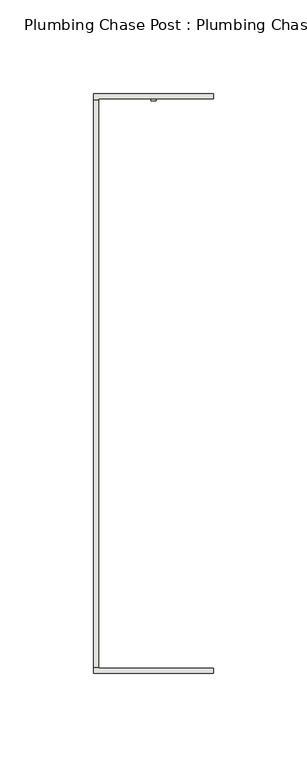
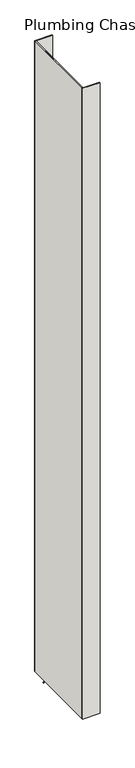
"""IFC4 building model written with IfcOpenShell, lengths in millimetres: wall geometry, Plumbing Chase Post : Plumbing Chase Post."""

from ifc_helpers import new_model, si_unit, frame, origin, place, context, project, spatial, polyline, outline, extrude, source, transform, mapped, element, save


def plumbing_chase_post_plumbing_chase_post_0b9848fa(model_context):
    return source(origin(), model_context, "Body", "SweptSolid", [
        extrude(outline(polyline([(66349.282211, -45059.0307352), (66349.282211, -45061.5707352), (66346.742211, -45061.5707352), (66346.742211, -45059.0307352), (66349.282211, -45059.0307352)])), frame((0.0, 0.0, 4419.6), z_axis=(0.0, 0.0, 1.0), x_axis=(1.0, 0.0, 0.0)), (0.0, 0.0, 1.0), 2.54),
        extrude(outline(polyline([(66315.9955618, -45364.2976888), (66315.9955618, -45061.7331936), (66318.6620538, -45061.7331936), (66318.6620538, -45364.2976888), (66315.9955618, -45364.2976888)])), frame((0.0, 0.0, 4474.8958), z_axis=(0.0, 0.0, 1.0), x_axis=(1.0, 0.0, 0.0)), (0.0, 0.0, 1.0), 2481.1482254),
        extrude(outline(polyline([(66315.9955618, -45364.2976888), (66315.9955618, -45061.7331936), (66318.6620538, -45061.7331936), (66318.6620538, -45364.2976888), (66315.9955618, -45364.2976888)])), frame((0.0, 0.0, 4474.8958), z_axis=(0.0, 0.0, 1.0), x_axis=(1.0, 0.0, 0.0)), (0.0, 0.0, 1.0), 2481.1482254),
        extrude(outline(polyline([(66315.9955618, -45367.7517332), (66315.9955618, -45234.4017332), (66318.6620538, -45234.4017332), (66318.6620538, -45365.0852412), (66380.0040444, -45365.0852412), (66380.0040444, -45367.7517332), (66315.9955618, -45367.7517332)])), frame((0.0, 0.0, 4474.8958), z_axis=(0.0, 0.0, 1.0), x_axis=(1.0, 0.0, 0.0)), (0.0, 0.0, 1.0), 2481.1482254),
        extrude(outline(polyline([(66315.9955618, -45367.7517332), (66315.9955618, -45234.4017332), (66318.6620538, -45234.4017332), (66318.6620538, -45365.0852412), (66380.0040444, -45365.0852412), (66380.0040444, -45367.7517332), (66315.9955618, -45367.7517332)])), frame((0.0, 0.0, 4474.8958), z_axis=(0.0, 0.0, 1.0), x_axis=(1.0, 0.0, 0.0)), (0.0, 0.0, 1.0), 2481.1482254),
        extrude(outline(polyline([(66318.6620538, -45191.6291492), (66315.9955618, -45191.6291492), (66315.9955618, -45058.2791492), (66380.0040444, -45058.2791492), (66380.0040444, -45060.9456666), (66318.6620538, -45060.9456666), (66318.6620538, -45191.6291492)])), frame((0.0, 0.0, 4474.8958), z_axis=(0.0, 0.0, 1.0), x_axis=(1.0, 0.0, 0.0)), (0.0, 0.0, 1.0), 2481.1482254),
        extrude(outline(polyline([(66318.6620538, -45191.6291492), (66315.9955618, -45191.6291492), (66315.9955618, -45058.2791492), (66380.0040444, -45058.2791492), (66380.0040444, -45060.9456666), (66318.6620538, -45060.9456666), (66318.6620538, -45191.6291492)])), frame((0.0, 0.0, 4474.8958), z_axis=(0.0, 0.0, 1.0), x_axis=(1.0, 0.0, 0.0)), (0.0, 0.0, 1.0), 2481.1482254),
    ])


if __name__ == "__main__":
    model = new_model("IFC4")
    model_context = context("Model", 3, world=origin())
    ifc_project = project(units=[si_unit("LENGTHUNIT", "METRE", prefix="MILLI")], contexts=[model_context])
    site = spatial("IfcSite", under=ifc_project)
    building = spatial("IfcBuilding", under=site)
    placement = place(None, origin())
    plumbing_chase_post_plumbing_chase_post_shape = plumbing_chase_post_plumbing_chase_post_0b9848fa(model_context)
    element("IfcWall", 1, ObjectType="Plumbing Chase Post : Plumbing Chase Post", at=placement, inside=building, context=model_context, shape_type="MappedRepresentation", body=[
        mapped(plumbing_chase_post_plumbing_chase_post_shape, transform((0.0, 0.0, 0.0), x_axis=(1.0, 0.0, 0.0), y_axis=(0.0, 1.0, 0.0), z_axis=(0.0, 0.0, 1.0))),
    ])
    save(model, "model.ifc")
